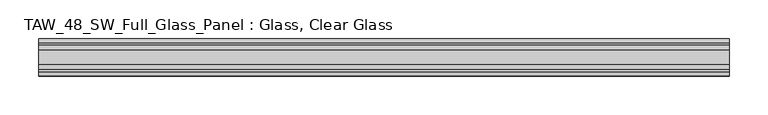
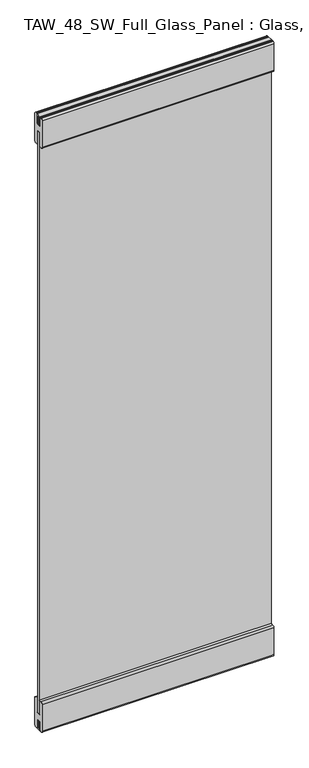
"""IFC4 building model written with IfcOpenShell, lengths in millimetres: plate geometry, TAW_48_SW_Full_Glass_Panel : Glass, Clear Glass."""

from ifc_helpers import new_model, si_unit, point, frame, frame_2d, origin, place, context, project, spatial, polyline, circle_curve, trimmed, segment, composite_curve, outline, extrude, source, transform, mapped, element, save


def taw_48_sw_full_glass_panel_glass_clear_glass_20598a42(model_context):
    return source(origin(), model_context, "Body", "SweptSolid", [
        extrude(outline(polyline([(446.0983047, 5.0), (446.0983047, -5.0), (-446.0983047, -5.0), (-446.0983047, 5.0), (446.0983047, 5.0)])), frame((0.0, 0.0, 65.5028724), z_axis=(0.0, 0.0, 1.0), x_axis=(1.0, 0.0, 0.0)), (0.0, 0.0, 1.0), 2369.1638255),
        extrude(outline(composite_curve([segment(polyline([(6.0, 123.0), (16.7, 123.0)]), True, "CONTINUOUS"), segment(trimmed(circle_curve(frame_2d((16.7, 115.7)), 7.3), [point((16.7, 123.0))], [point((24.0, 115.7))], False, "CARTESIAN"), True, "CONTINUOUS"), segment(polyline([(24.0, 115.7), (24.0, 7.2006944)]), True, "CONTINUOUS"), segment(trimmed(circle_curve(frame_2d((16.7, 7.2006944)), 7.3), [point((24.0, 7.2006944))], [point((17.9, 0.0))], False, "CARTESIAN"), True, "CONTINUOUS"), segment(polyline([(17.9, 0.0), (15.5529859, 0.0), (15.5529859, 2.1027745), (10.0, 2.1027745), (10.0, 38.0), (-10.0, 38.0), (-10.0, 2.1027745), (-15.0493747, 2.1027745), (-15.0493747, 0.0), (-18.4598098, 0.0)]), True, "CONTINUOUS"), segment(trimmed(circle_curve(frame_2d((-16.55, 7.2010504)), 7.45), [point((-18.4598098, 0.0))], [point((-24.0, 7.2010504))], False, "CARTESIAN"), True, "CONTINUOUS"), segment(polyline([(-24.0, 7.2010504), (-24.0, 115.55)]), True, "CONTINUOUS"), segment(trimmed(circle_curve(frame_2d((-16.55, 115.55)), 7.45), [point((-24.0, 115.55))], [point((-16.55, 123.0))], False, "CARTESIAN"), True, "CONTINUOUS"), segment(polyline([(-16.55, 123.0), (-6.0, 123.0), (-6.0, 121.4010504), (-9.5, 121.4010504), (-9.5, 65.5028724), (9.5, 65.5028724), (9.5, 121.2506944), (6.0, 121.2506944), (6.0, 123.0)]), True, "CONTINUOUS")], self_intersect=False)), frame((-446.0983047, 0.0, 0.0), z_axis=(1.0, 0.0, 0.0), x_axis=(0.0, 1.0, 0.0)), (0.0, 0.0, 1.0), 892.1966094),
        extrude(outline(polyline([(9.0, 2500.0), (9.0, 2461.2139286), (5.0, 2461.2139286), (5.0, 2496.0), (-5.0, 2496.0), (-5.0, 2461.2139286), (-9.0, 2461.2139286), (-9.0, 2500.0), (9.0, 2500.0)])), frame((-446.0983047, 0.0, 0.0), z_axis=(1.0, 0.0, 0.0), x_axis=(0.0, 1.0, 0.0)), (0.0, 0.0, 1.0), 892.1966094),
        extrude(outline(polyline([(-9.0, 0.0), (-9.0, 38.0), (-5.0, 38.0), (-5.0, 4.0), (5.0, 4.0), (5.0, 38.0), (9.0, 38.0), (9.0, 0.0), (-9.0, 0.0)])), frame((-446.0983047, 0.0, 0.0), z_axis=(1.0, 0.0, 0.0), x_axis=(0.0, 1.0, 0.0)), (0.0, 0.0, 1.0), 892.1966094),
        extrude(outline(composite_curve([segment(polyline([(-6.0, 2377.0), (-16.7, 2377.0)]), True, "CONTINUOUS"), segment(trimmed(circle_curve(frame_2d((-16.7, 2384.3)), 7.3), [point((-16.7, 2377.0))], [point((-24.0, 2384.3))], False, "CARTESIAN"), True, "CONTINUOUS"), segment(polyline([(-24.0, 2384.3), (-24.0, 2492.9688758)]), True, "CONTINUOUS"), segment(trimmed(circle_curve(frame_2d((-16.7, 2492.9688758)), 7.3), [point((-24.0, 2492.9688758))], [point((-18.6629804, 2500.0))], False, "CARTESIAN"), True, "CONTINUOUS"), segment(polyline([(-18.6629804, 2500.0), (-16.0197946, 2500.0), (-16.0197946, 2498.0667957), (-9.5, 2498.0667957), (-9.5, 2461.0667957), (9.5, 2461.0667957), (9.5, 2498.0667957), (16.0197946, 2498.0667957), (16.0197946, 2500.0), (18.6629804, 2500.0)]), True, "CONTINUOUS"), segment(trimmed(circle_curve(frame_2d((16.7, 2492.9688758)), 7.3), [point((18.6629804, 2500.0))], [point((24.0, 2492.9688758))], False, "CARTESIAN"), True, "CONTINUOUS"), segment(polyline([(24.0, 2492.9688758), (24.0, 2384.3)]), True, "CONTINUOUS"), segment(trimmed(circle_curve(frame_2d((16.7, 2384.3)), 7.3), [point((24.0, 2384.3))], [point((16.7, 2377.0))], False, "CARTESIAN"), True, "CONTINUOUS"), segment(polyline([(16.7, 2377.0), (6.0, 2377.0), (6.0, 2378.9188758), (9.5, 2378.9188758), (9.5, 2434.6666978), (-9.5, 2434.6666978), (-9.5, 2378.9188758), (-6.0, 2378.9188758), (-6.0, 2377.0)]), True, "CONTINUOUS")], self_intersect=False)), frame((-446.0983047, 0.0, 0.0), z_axis=(1.0, 0.0, 0.0), x_axis=(0.0, 1.0, 0.0)), (0.0, 0.0, 1.0), 892.1966094),
    ])


if __name__ == "__main__":
    model = new_model("IFC4")
    model_context = context("Model", 3, world=origin())
    ifc_project = project(units=[si_unit("LENGTHUNIT", "METRE", prefix="MILLI")], contexts=[model_context])
    site = spatial("IfcSite", under=ifc_project)
    building = spatial("IfcBuilding", under=site)
    placement = place(None, origin())
    taw_48_sw_full_glass_panel_glass_clear_glass_shape = taw_48_sw_full_glass_panel_glass_clear_glass_20598a42(model_context)
    element("IfcPlate", 1, ObjectType="TAW_48_SW_Full_Glass_Panel : Glass, Clear Glass", at=placement, inside=building, context=model_context, shape_type="MappedRepresentation", body=[
        mapped(taw_48_sw_full_glass_panel_glass_clear_glass_shape, transform((0.0, 0.0, 0.0), x_axis=(1.0, 0.0, 0.0), y_axis=(0.0, 1.0, 0.0), z_axis=(0.0, 0.0, 1.0))),
    ])
    save(model, "model.ifc")
